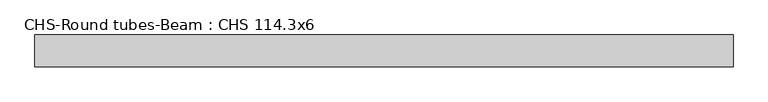
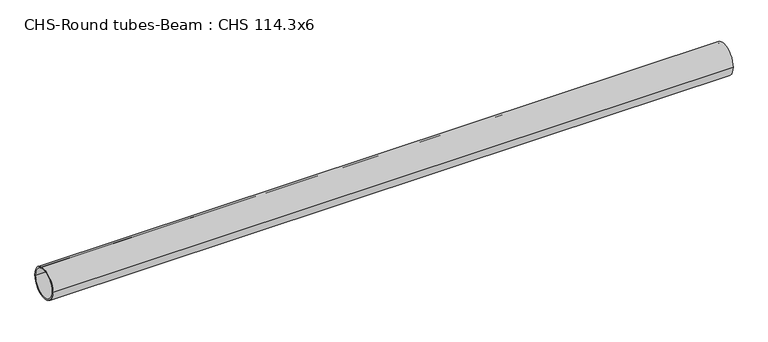
"""IFC4 building model written with IfcOpenShell, lengths in millimetres: beam geometry, CHS-Round tubes-Beam : CHS 114.3x6."""

from ifc_helpers import new_model, si_unit, point, frame, origin, origin_2d, place, context, project, spatial, circle_curve, trimmed, segment, composite_curve, outline, extrude, source, transform, mapped, element, save


def chs_round_tubes_beam_chs_114_3x6_e6710448(model_context):
    return source(origin(), model_context, "Body", "SweptSolid", [
        extrude(outline(composite_curve([segment(trimmed(circle_curve(origin_2d(), 57.15), [point((57.15, 0.0))], [point((-57.15, 0.0))], False, "CARTESIAN"), True, "CONTINUOUS"), segment(trimmed(circle_curve(origin_2d(), 57.15), [point((-57.15, 0.0))], [point((57.15, 0.0))], False, "CARTESIAN"), True, "CONTINUOUS")], self_intersect=False), holes=[composite_curve([segment(trimmed(circle_curve(origin_2d(), 51.15), [point((51.15, 0.0))], [point((-51.15, 0.0))], True, "CARTESIAN"), True, "CONTINUOUS"), segment(trimmed(circle_curve(origin_2d(), 51.15), [point((-51.15, 0.0))], [point((51.15, 0.0))], True, "CARTESIAN"), True, "CONTINUOUS")], self_intersect=False)]), frame((-1196.8574221, 0.0, 0.0), z_axis=(1.0, 0.0, 0.0), x_axis=(0.0, 1.0, 0.0)), (0.0, 0.0, 1.0), 2499.7581326),
    ])


if __name__ == "__main__":
    model = new_model("IFC4")
    model_context = context("Model", 3, world=origin())
    ifc_project = project(units=[si_unit("LENGTHUNIT", "METRE", prefix="MILLI")], contexts=[model_context])
    site = spatial("IfcSite", under=ifc_project)
    building = spatial("IfcBuilding", under=site)
    placement = place(None, origin())
    chs_round_tubes_beam_chs_114_3x6_shape = chs_round_tubes_beam_chs_114_3x6_e6710448(model_context)
    element("IfcBeam", 1, ObjectType="CHS-Round tubes-Beam : CHS 114.3x6", at=placement, inside=building, context=model_context, shape_type="MappedRepresentation", body=[
        mapped(chs_round_tubes_beam_chs_114_3x6_shape, transform((0.0, 0.0, 0.0), x_axis=(1.0, 0.0, 0.0), y_axis=(0.0, 1.0, 0.0), z_axis=(0.0, 0.0, 1.0))),
    ])
    save(model, "model.ifc")
